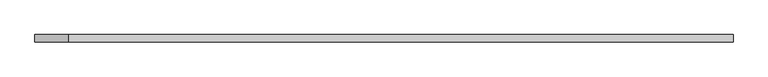
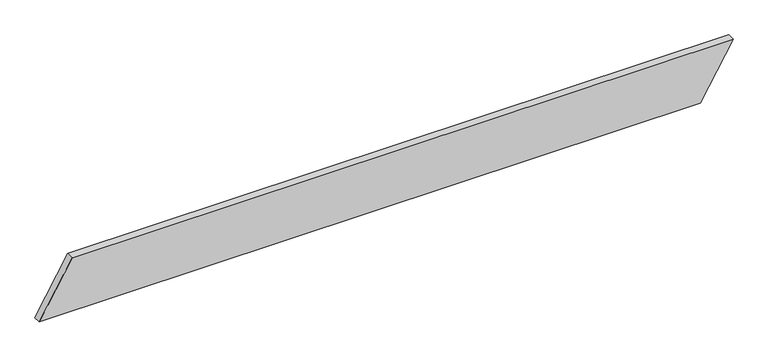
"""IFC4 building model written with IfcOpenShell, lengths in millimetres: beam geometry."""

from ifc_helpers import new_model, si_unit, frame, origin, place, context, project, spatial, polyline, outline, extrude, source, transform, mapped, element, save


def beam_a08c44ab(model_context):
    return source(origin(), model_context, "Body", "SweptSolid", [
        extrude(outline(polyline([(142.875, 1756.8043989), (142.875, -1590.1168989), (-142.875, -1756.8043989), (-142.875, 1590.1168989), (142.875, 1756.8043989)])), frame((0.0, -19.05, 0.0), z_axis=(0.0, 1.0, 0.0), x_axis=(0.0, 0.0, 1.0)), (0.0, 0.0, 1.0), 38.1),
    ])


if __name__ == "__main__":
    model = new_model("IFC4")
    model_context = context("Model", 3, world=origin())
    ifc_project = project(units=[si_unit("LENGTHUNIT", "METRE", prefix="MILLI")], contexts=[model_context])
    site = spatial("IfcSite", under=ifc_project)
    building = spatial("IfcBuilding", under=site)
    placement = place(None, origin())
    beam_shape = beam_a08c44ab(model_context)
    element("IfcBeam", 1, at=placement, inside=building, context=model_context, shape_type="MappedRepresentation", body=[
        mapped(beam_shape, transform((0.0, 0.0, 0.0), x_axis=(1.0, 0.0, 0.0), y_axis=(0.0, 1.0, 0.0), z_axis=(0.0, 0.0, 1.0))),
    ])
    save(model, "model.ifc")
